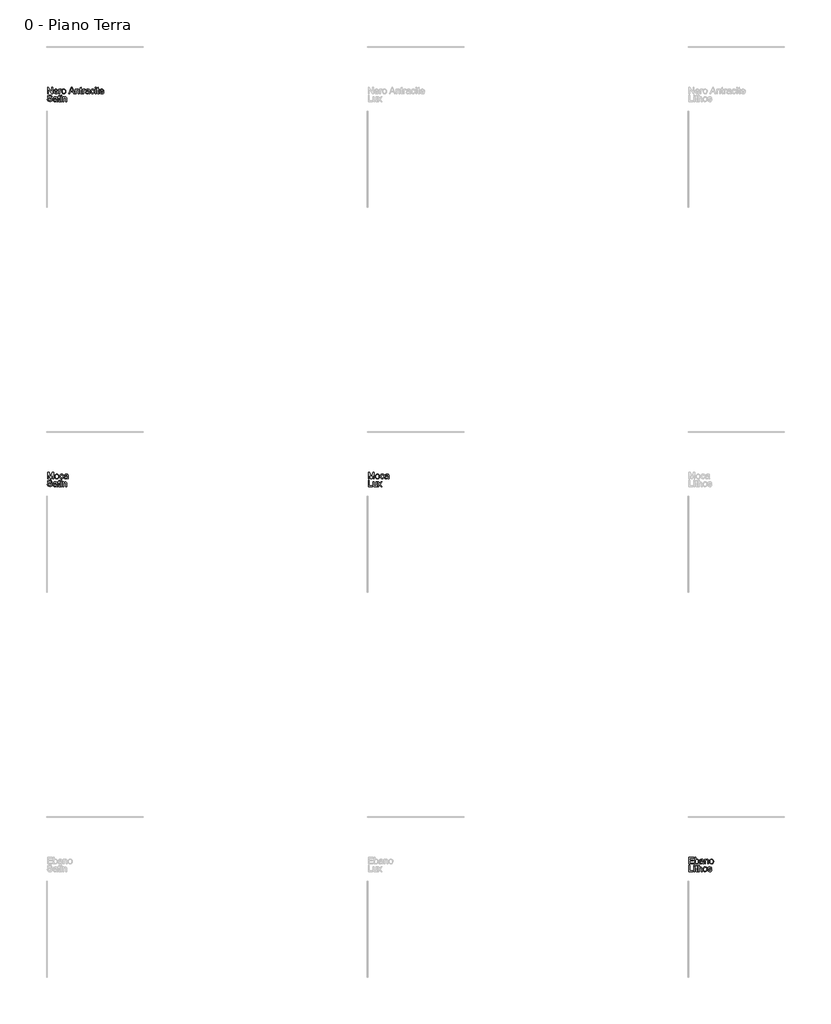
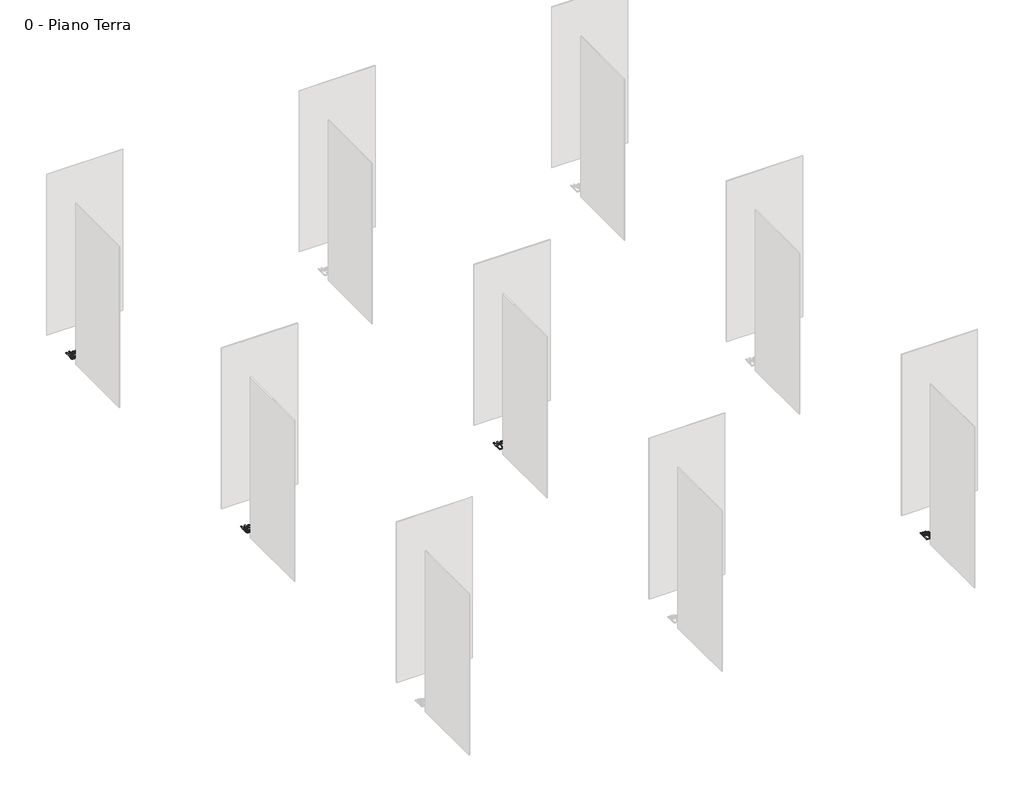
# One storey, part 25 of 35: 4 proxies.
"""IFC4 building model written with IfcOpenShell, lengths in millimetres."""

from ifc_helpers import new_model, si_unit, origin, origin_with_axes, place, context, project, spatial, polyline, outline, extrude, element, save

model = new_model("IFC4")

# Units and contexts
model_context = context("Model", 3, world=origin())
ifc_project = project(units=[si_unit("LENGTHUNIT", "METRE", prefix="MILLI")], contexts=[model_context])

# Site, building, storey
site = spatial("IfcSite", under=ifc_project)
building = spatial("IfcBuilding", under=site)
storey = spatial("IfcBuildingStorey", under=building, Name="0 - Piano Terra", Elevation=0.0)

# Proxies
placement = place(None, origin())
element("IfcBuildingElementProxy", 1, Name="Testo modello 1", ObjectType="Testo modello 1", at=placement, inside=storey, context=model_context, shape_type="SweptSolid", body=[
    extrude(outline(polyline([(2731.7292491, -24273.7592352), (2731.7292491, -24173.302925), (2745.1692046, -24173.302925), (2797.6537026, -24252.8880633), (2797.6537026, -24173.302925), (2810.2107414, -24173.302925), (2810.2107414, -24273.7592352), (2796.7707858, -24273.7592352), (2744.2862878, -24194.1495714), (2744.2862878, -24273.7592352), (2731.7292491, -24273.7592352)])), origin_with_axes(), (0.0, 0.0, 1.0), 10.0),
    extrude(outline(polyline([(2882.2665615, -24251.7844173), (2894.5783456, -24253.3540472), (2890.1423019, -24262.6308048), (2883.0636392, -24269.5653804), (2873.501773, -24273.8879938), (2861.6161188, -24275.328865), (2846.8824449, -24272.8425958), (2835.5455481, -24265.3837884), (2828.3166669, -24253.4368206), (2825.9070398, -24237.4860704), (2828.3411924, -24220.9988257), (2835.64365, -24208.6686475), (2846.8272626, -24200.9799138), (2860.9048803, -24198.4170025), (2874.5441053, -24200.9737824), (2885.4426094, -24208.644122), (2892.5887171, -24220.9497747), (2894.9707531, -24237.412494), (2894.8971767, -24240.7970084), (2838.4640786, -24240.7970084), (2840.6376481, -24250.1963934), (2845.6868284, -24257.1064435), (2852.9739576, -24261.3554805), (2861.8613735, -24262.7718262), (2874.1731576, -24260.1476013), (2882.2665615, -24251.7844173)]), holes=[polyline([(2838.4640786, -24228.2399696), (2882.4137143, -24228.2399696), (2877.3859937, -24216.8601532), (2870.065142, -24212.4455693), (2860.8558294, -24210.9740413), (2845.3925229, -24215.6706681), (2840.5272835, -24221.1613069), (2838.4640786, -24228.2399696)])]), origin_with_axes(), (0.0, 0.0, 1.0), 10.0),
    extrude(outline(polyline([(2907.5277918, -24273.7592352), (2907.5277918, -24199.9866324), (2918.5152008, -24199.9866324), (2918.5152008, -24210.9004649), (2926.3142991, -24200.8450237), (2934.1624483, -24198.4170025), (2946.768538, -24202.2920262), (2942.5746832, -24213.5492153), (2933.7455154, -24210.9740413), (2926.6453929, -24213.4511134), (2922.1204443, -24220.318244), (2920.0848306, -24234.9844729), (2920.0848306, -24273.7592352), (2907.5277918, -24273.7592352)])), origin_with_axes(), (0.0, 0.0, 1.0), 10.0),
    extrude(outline(polyline([(2951.4774275, -24236.8729338), (2954.1936229, -24219.0858393), (2962.3422091, -24206.5839828), (2972.4099131, -24200.4587476), (2984.4641798, -24198.4170025), (2997.655815, -24200.9032717), (3008.1925685, -24208.3620791), (3015.0995529, -24220.2048137), (3017.4018811, -24235.8428642), (3013.3306537, -24258.185564), (3001.4725907, -24270.8284419), (2984.4641798, -24275.328865), (2971.113129, -24272.8517929), (2960.5886383, -24265.4205766), (2953.7552302, -24253.3295217), (2951.4774275, -24236.8729338)]), holes=[polyline([(2964.0344663, -24236.8484083), (2965.4876002, -24248.2128963), (2969.8470018, -24256.3093658), (2976.4075641, -24261.1562111), (2984.4641798, -24262.7718262), (2992.4840073, -24261.1470141), (2999.0323068, -24256.2725776), (3003.3917084, -24248.0688092), (3004.8448423, -24236.4560008), (3003.3825114, -24225.4226067), (2998.9955186, -24217.4365017), (2992.438022, -24212.5896564), (2984.4641798, -24210.9740413), (2976.4075641, -24212.583525), (2969.8470018, -24217.4119762), (2965.4876002, -24225.4900517), (2964.0344663, -24236.8484083)])]), origin_with_axes(), (0.0, 0.0, 1.0), 10.0),
    extrude(outline(polyline([(3060.6402782, -24273.7592352), (3100.7394157, -24173.302925), (3111.432519, -24173.302925), (3151.5316565, -24273.7592352), (3138.2633792, -24273.7592352), (3126.7609355, -24242.3666382), (3085.3864738, -24242.3666382), (3073.9085555, -24273.7592352), (3060.6402782, -24273.7592352)]), holes=[polyline([(3089.9972614, -24229.8095995), (3122.1746733, -24229.8095995), (3113.1247762, -24205.1124549), (3106.0859674, -24185.8599638), (3099.8319734, -24202.9542138), (3089.9972614, -24229.8095995)])]), origin_with_axes(), (0.0, 0.0, 1.0), 10.0),
    extrude(outline(polyline([(3163.3774567, -24273.7592352), (3163.3774567, -24199.9866324), (3175.9344955, -24199.9866324), (3175.9344955, -24210.2873283), (3185.5362156, -24201.384584), (3198.6450774, -24198.4170025), (3210.5031403, -24200.8082355), (3218.5965442, -24207.0867549), (3222.3612033, -24216.320593), (3223.0233909, -24228.4606988), (3223.0233909, -24273.7592352), (3210.4663521, -24273.7592352), (3210.4663521, -24230.152956), (3209.0193496, -24219.0429197), (3203.9057899, -24213.1690705), (3195.2850885, -24210.9740413), (3181.6611919, -24215.90366), (3177.3661696, -24223.0467021), (3175.9344955, -24234.6165909), (3175.9344955, -24273.7592352), (3163.3774567, -24273.7592352)])), origin_with_axes(), (0.0, 0.0, 1.0), 10.0),
    extrude(outline(polyline([(3266.9730266, -24263.286861), (3268.5426564, -24274.1271171), (3259.1494028, -24275.328865), (3248.6279778, -24273.2442004), (3243.379528, -24267.7750214), (3241.8589491, -24253.5257254), (3241.8589491, -24212.5436712), (3232.44117, -24212.5436712), (3232.44117, -24199.9866324), (3241.8589491, -24199.9866324), (3241.8589491, -24182.0585165), (3254.4159878, -24174.6763511), (3254.4159878, -24199.9866324), (3266.9730266, -24199.9866324), (3266.9730266, -24212.5436712), (3254.4159878, -24212.5436712), (3254.4159878, -24253.1578434), (3255.0781754, -24259.6325665), (3257.2241537, -24261.9256976), (3261.5038476, -24262.7718262), (3266.9730266, -24263.286861)])), origin_with_axes(), (0.0, 0.0, 1.0), 10.0),
    extrude(outline(polyline([(3279.5300654, -24273.7592352), (3279.5300654, -24199.9866324), (3290.5174743, -24199.9866324), (3290.5174743, -24210.9004649), (3298.3165726, -24200.8450237), (3306.1647218, -24198.4170025), (3318.7708115, -24202.2920262), (3314.5769568, -24213.5492153), (3305.7477889, -24210.9740413), (3298.6476664, -24213.4511134), (3294.1227178, -24220.318244), (3292.0871041, -24234.9844729), (3292.0871041, -24273.7592352), (3279.5300654, -24273.7592352)])), origin_with_axes(), (0.0, 0.0, 1.0), 10.0),
    extrude(outline(polyline([(3373.7078561, -24264.3414561), (3361.5309621, -24272.8517929), (3348.0787438, -24275.328865), (3337.5849099, -24273.8389429), (3329.8440596, -24269.3691767), (3325.0707907, -24262.5817539), (3323.4797011, -24254.1388621), (3325.8831968, -24244.2060482), (3332.1985043, -24236.9955611), (3340.990884, -24232.8752828), (3351.8556656, -24230.9868218), (3373.6342797, -24226.6703398), (3373.7078561, -24223.8744366), (3370.2497654, -24214.6038103), (3356.3683514, -24210.9740413), (3343.6641599, -24213.3897997), (3337.6063697, -24221.9614502), (3325.0493309, -24220.3918204), (3330.4817217, -24208.1290872), (3341.4200797, -24200.9431256), (3357.9870322, -24198.4170025), (3373.2050841, -24200.64882), (3381.80126, -24206.252889), (3385.6517582, -24214.7754886), (3386.2648949, -24225.7628975), (3386.2648949, -24241.3856196), (3386.902557, -24263.2010219), (3389.4041546, -24273.7592352), (3376.8471158, -24273.7592352), (3373.7078561, -24264.3414561)]), holes=[polyline([(3373.7078561, -24239.2273785), (3353.4498209, -24243.0778768), (3342.646353, -24245.1134905), (3337.7535225, -24248.4244284), (3336.0367398, -24253.2559453), (3339.7768734, -24260.0494995), (3350.7520196, -24262.7718262), (3363.4562112, -24259.7674566), (3371.647717, -24252.4956558), (3373.6342797, -24242.7835712), (3373.7078561, -24239.2273785)])]), origin_with_axes(), (0.0, 0.0, 1.0), 10.0),
    extrude(outline(polyline([(3450.6197186, -24247.0755278), (3463.1767574, -24248.6451576), (3459.675747, -24259.8134419), (3453.0967907, -24268.253268), (3444.0591563, -24273.5599657), (3433.182112, -24275.328865), (3419.8249299, -24272.8609899), (3409.3801469, -24265.4573648), (3402.6387094, -24253.442952), (3400.3915635, -24237.1427139), (3404.229799, -24216.2838048), (3415.9284464, -24202.8806374), (3433.0104337, -24198.4170025), (3443.6207636, -24199.9498442), (3452.1035093, -24204.5483691), (3458.1888906, -24211.9673227), (3461.6071275, -24221.9614502), (3449.0500887, -24223.5310801), (3443.2252905, -24214.1255637), (3433.1085356, -24210.9740413), (3424.9936719, -24212.5252771), (3418.5526713, -24217.1789843), (3414.3496195, -24225.1865491), (3412.9486023, -24236.7993574), (3414.3189627, -24248.5685155), (3418.430044, -24256.6036714), (3424.7545486, -24261.2297875), (3432.7651791, -24262.7718262), (3444.5987166, -24258.921328), (3450.6197186, -24247.0755278)])), origin_with_axes(), (0.0, 0.0, 1.0), 10.0),
    extrude(outline(polyline([(3474.1641663, -24273.7592352), (3474.1641663, -24199.9866324), (3486.721205, -24199.9866324), (3486.721205, -24273.7592352), (3474.1641663, -24273.7592352)])), origin_with_axes(), (0.0, 0.0, 1.0), 10.0),
    extrude(outline(polyline([(3474.1641663, -24185.8599638), (3474.1641663, -24173.302925), (3486.721205, -24173.302925), (3486.721205, -24185.8599638), (3474.1641663, -24185.8599638)])), origin_with_axes(), (0.0, 0.0, 1.0), 10.0),
    extrude(outline(polyline([(3532.2404706, -24263.286861), (3533.8101004, -24274.1271171), (3524.4168468, -24275.328865), (3513.8954218, -24273.2442004), (3508.646972, -24267.7750214), (3507.126393, -24253.5257254), (3507.126393, -24212.5436712), (3497.708614, -24212.5436712), (3497.708614, -24199.9866324), (3507.126393, -24199.9866324), (3507.126393, -24182.0585165), (3519.6834318, -24174.6763511), (3519.6834318, -24199.9866324), (3532.2404706, -24199.9866324), (3532.2404706, -24212.5436712), (3519.6834318, -24212.5436712), (3519.6834318, -24253.1578434), (3520.3456194, -24259.6325665), (3522.4915977, -24261.9256976), (3526.7712916, -24262.7718262), (3532.2404706, -24263.286861)])), origin_with_axes(), (0.0, 0.0, 1.0), 10.0),
    extrude(outline(polyline([(3596.4481415, -24251.7844173), (3608.7599256, -24253.3540472), (3604.3238819, -24262.6308048), (3597.2452191, -24269.5653804), (3587.6833529, -24273.8879938), (3575.7976988, -24275.328865), (3561.0640249, -24272.8425958), (3549.7271281, -24265.3837884), (3542.4982469, -24253.4368206), (3540.0886198, -24237.4860704), (3542.5227723, -24220.9988257), (3549.8252299, -24208.6686475), (3561.0088426, -24200.9799138), (3575.0864603, -24198.4170025), (3588.7256853, -24200.9737824), (3599.6241894, -24208.644122), (3606.7702971, -24220.9497747), (3609.152333, -24237.412494), (3609.0787566, -24240.7970084), (3552.6456586, -24240.7970084), (3554.819228, -24250.1963934), (3559.8684084, -24257.1064435), (3567.1555376, -24261.3554805), (3576.0429535, -24262.7718262), (3588.3547376, -24260.1476013), (3596.4481415, -24251.7844173)]), holes=[polyline([(3552.6456586, -24228.2399696), (3596.5952943, -24228.2399696), (3591.5675737, -24216.8601532), (3584.246722, -24212.4455693), (3575.0374094, -24210.9740413), (3559.5741028, -24215.6706681), (3554.7088634, -24221.1613069), (3552.6456586, -24228.2399696)])]), origin_with_axes(), (0.0, 0.0, 1.0), 10.0),
    extrude(outline(polyline([(2727.0203595, -24361.2021964), (2739.5773983, -24361.2021964), (2743.6241003, -24373.7714979), (2753.5078632, -24381.717749), (2768.5664995, -24384.7466441), (2781.687624, -24382.453513), (2790.1611726, -24376.1504681), (2792.9448131, -24367.7259704), (2790.8601484, -24359.8900839), (2782.3252861, -24354.187913), (2764.041551, -24349.3931843), (2744.3598642, -24343.2005041), (2733.6790237, -24333.8563014), (2730.1596192, -24321.372839), (2734.5128895, -24307.1603313), (2747.2293438, -24297.1294156), (2765.8441728, -24293.708113), (2785.7098005, -24297.2888311), (2798.9535523, -24307.8102561), (2803.932222, -24323.5310801), (2791.3751832, -24323.5310801), (2789.0697894, -24316.0385501), (2784.262798, -24310.6306848), (2766.3346821, -24306.2651518), (2748.3575153, -24310.5816338), (2742.716658, -24321.004957), (2746.714309, -24329.7114976), (2767.2175989, -24336.725781), (2789.4376714, -24343.0288258), (2801.59004, -24353.2068944), (2805.5018518, -24367.4071394), (2801.0014288, -24382.4289875), (2788.0519825, -24393.391871), (2769.0570089, -24397.3036828), (2746.6284699, -24393.0853026), (2732.4404876, -24380.3811111), (2727.0203595, -24361.2021964)])), origin_with_axes(), (0.0, 0.0, 1.0), 10.0),
    extrude(outline(polyline([(2869.8566755, -24386.3162739), (2857.6797815, -24394.8266107), (2844.2275632, -24397.3036828), (2833.7337293, -24395.8137608), (2825.992879, -24391.3439945), (2821.2196101, -24384.5565717), (2819.6285205, -24376.1136799), (2822.0320162, -24366.1808661), (2828.3473237, -24358.9703789), (2837.1397034, -24354.8501006), (2848.004485, -24352.9616397), (2869.7830991, -24348.6451576), (2869.8566755, -24345.8492545), (2866.3985848, -24336.5786282), (2852.5171708, -24332.9488592), (2839.8129793, -24335.3646176), (2833.7551891, -24343.9362681), (2821.1981503, -24342.3666382), (2826.6305411, -24330.1039051), (2837.5688991, -24322.9179434), (2854.1358516, -24320.3918204), (2869.3539035, -24322.6236378), (2877.9500794, -24328.2277069), (2881.8005776, -24336.7503064), (2882.4137143, -24347.7377154), (2882.4137143, -24363.3604374), (2883.0513764, -24385.1758397), (2885.552974, -24395.734053), (2872.9959352, -24395.734053), (2869.8566755, -24386.3162739)]), holes=[polyline([(2869.8566755, -24361.2021964), (2849.5986403, -24365.0526946), (2838.7951724, -24367.0883083), (2833.9023419, -24370.3992463), (2832.1855592, -24375.2307631), (2835.9256928, -24382.0243173), (2846.900839, -24384.7466441), (2859.6050306, -24381.7422744), (2867.7965364, -24374.4704737), (2869.7830991, -24364.758389), (2869.8566755, -24361.2021964)])]), origin_with_axes(), (0.0, 0.0, 1.0), 10.0),
    extrude(outline(polyline([(2926.36335, -24385.2616789), (2927.9329798, -24396.101935), (2918.5397262, -24397.3036828), (2908.0183012, -24395.2190182), (2902.7698514, -24389.7498392), (2901.2492725, -24375.5005433), (2901.2492725, -24334.518489), (2891.8314934, -24334.518489), (2891.8314934, -24321.9614502), (2901.2492725, -24321.9614502), (2901.2492725, -24304.0333343), (2913.8063112, -24296.651169), (2913.8063112, -24321.9614502), (2926.36335, -24321.9614502), (2926.36335, -24334.518489), (2913.8063112, -24334.518489), (2913.8063112, -24375.1326613), (2914.4684988, -24381.6073844), (2916.6144771, -24383.9005155), (2920.894171, -24384.7466441), (2926.36335, -24385.2616789)])), origin_with_axes(), (0.0, 0.0, 1.0), 10.0),
    extrude(outline(polyline([(2938.9203888, -24395.734053), (2938.9203888, -24321.9614502), (2951.4774275, -24321.9614502), (2951.4774275, -24395.734053), (2938.9203888, -24395.734053)])), origin_with_axes(), (0.0, 0.0, 1.0), 10.0),
    extrude(outline(polyline([(2938.9203888, -24307.8347816), (2938.9203888, -24295.2777428), (2951.4774275, -24295.2777428), (2951.4774275, -24307.8347816), (2938.9203888, -24307.8347816)])), origin_with_axes(), (0.0, 0.0, 1.0), 10.0),
    extrude(outline(polyline([(2970.3129857, -24395.734053), (2970.3129857, -24321.9614502), (2982.8700244, -24321.9614502), (2982.8700244, -24332.2621461), (2992.4717445, -24323.3594018), (3005.5806063, -24320.3918204), (3017.4386693, -24322.7830534), (3025.5320732, -24329.0615727), (3029.2967322, -24338.2954108), (3029.9589198, -24350.4355167), (3029.9589198, -24395.734053), (3017.4018811, -24395.734053), (3017.4018811, -24352.1277738), (3015.9548785, -24341.0177376), (3010.8413188, -24335.1438884), (3002.2206174, -24332.9488592), (2988.5967208, -24337.8784779), (2984.3016985, -24345.02152), (2982.8700244, -24356.5914087), (2982.8700244, -24395.734053), (2970.3129857, -24395.734053)])), origin_with_axes(), (0.0, 0.0, 1.0), 10.0),
])
element("IfcBuildingElementProxy", 2, Name="Testo modello 1", ObjectType="Testo modello 1", at=placement, inside=storey, context=model_context, shape_type="SweptSolid", body=[
    extrude(outline(polyline([(2731.7292491, -30273.7592352), (2731.7292491, -30173.302925), (2753.3361849, -30173.302925), (2773.8885257, -30244.1079463), (2778.0333295, -30258.8968025), (2782.5214899, -30242.881673), (2802.7304741, -30173.302925), (2824.33741, -30173.302925), (2824.33741, -30273.7592352), (2811.7803712, -30273.7592352), (2811.7803712, -30185.8599638), (2786.5436664, -30273.7592352), (2769.5229927, -30273.7592352), (2744.2862878, -30185.8599638), (2744.2862878, -30273.7592352), (2731.7292491, -30273.7592352)])), origin_with_axes(), (0.0, 0.0, 1.0), 10.0),
    extrude(outline(polyline([(2841.6033383, -30236.8729338), (2844.3195337, -30219.0858393), (2852.4681199, -30206.5839828), (2862.5358238, -30200.4587476), (2874.5900905, -30198.4170025), (2887.7817257, -30200.9032717), (2898.3184792, -30208.3620791), (2905.2254637, -30220.2048137), (2907.5277918, -30235.8428642), (2903.4565644, -30258.185564), (2891.5985014, -30270.8284419), (2874.5900905, -30275.328865), (2861.2390398, -30272.8517929), (2850.714549, -30265.4205766), (2843.881141, -30253.3295217), (2841.6033383, -30236.8729338)]), holes=[polyline([(2854.1603771, -30236.8484083), (2855.613511, -30248.2128963), (2859.9729126, -30256.3093658), (2866.5334748, -30261.1562111), (2874.5900905, -30262.7718262), (2882.609918, -30261.1470141), (2889.1582175, -30256.2725776), (2893.5176192, -30248.0688092), (2894.9707531, -30236.4560008), (2893.5084221, -30225.4226067), (2889.1214293, -30217.4365017), (2882.5639328, -30212.5896564), (2874.5900905, -30210.9740413), (2866.5334748, -30212.583525), (2859.9729126, -30217.4119762), (2855.613511, -30225.4900517), (2854.1603771, -30236.8484083)])]), origin_with_axes(), (0.0, 0.0, 1.0), 10.0),
    extrude(outline(polyline([(2968.7433558, -30247.0755278), (2981.3003946, -30248.6451576), (2977.7993843, -30259.8134419), (2971.2204279, -30268.253268), (2962.1827936, -30273.5599657), (2951.3057493, -30275.328865), (2937.9485672, -30272.8609899), (2927.5037842, -30265.4573648), (2920.7623466, -30253.442952), (2918.5152008, -30237.1427139), (2922.3534362, -30216.2838048), (2934.0520837, -30202.8806374), (2951.134071, -30198.4170025), (2961.7444009, -30199.9498442), (2970.2271465, -30204.5483691), (2976.3125279, -30211.9673227), (2979.7307648, -30221.9614502), (2967.173726, -30223.5310801), (2961.3489277, -30214.1255637), (2951.2321729, -30210.9740413), (2943.1173092, -30212.5252771), (2936.6763086, -30217.1789843), (2932.4732568, -30225.1865491), (2931.0722395, -30236.7993574), (2932.4426, -30248.5685155), (2936.5536813, -30256.6036714), (2942.8781859, -30261.2297875), (2950.8888163, -30262.7718262), (2962.7223538, -30258.921328), (2968.7433558, -30247.0755278)])), origin_with_axes(), (0.0, 0.0, 1.0), 10.0),
    extrude(outline(polyline([(3039.3766989, -30264.3414561), (3027.1998049, -30272.8517929), (3013.7475866, -30275.328865), (3003.2537527, -30273.8389429), (2995.5129024, -30269.3691767), (2990.7396335, -30262.5817539), (2989.1485438, -30254.1388621), (2991.5520395, -30244.2060482), (2997.8673471, -30236.9955611), (3006.6597268, -30232.8752828), (3017.5245084, -30230.9868218), (3039.3031225, -30226.6703398), (3039.3766989, -30223.8744366), (3035.9186082, -30214.6038103), (3022.0371942, -30210.9740413), (3009.3330026, -30213.3897997), (3003.2752124, -30221.9614502), (2990.7181737, -30220.3918204), (2996.1505645, -30208.1290872), (3007.0889225, -30200.9431256), (3023.655875, -30198.4170025), (3038.8739268, -30200.64882), (3047.4701028, -30206.252889), (3051.320601, -30214.7754886), (3051.9337377, -30225.7628975), (3051.9337377, -30241.3856196), (3052.5713998, -30263.2010219), (3055.0729974, -30273.7592352), (3042.5159586, -30273.7592352), (3039.3766989, -30264.3414561)]), holes=[polyline([(3039.3766989, -30239.2273785), (3019.1186637, -30243.0778768), (3008.3151958, -30245.1134905), (3003.4223652, -30248.4244284), (3001.7055826, -30253.2559453), (3005.4457162, -30260.0494995), (3016.4208624, -30262.7718262), (3029.125054, -30259.7674566), (3037.3165597, -30252.4956558), (3039.3031225, -30242.7835712), (3039.3766989, -30239.2273785)])]), origin_with_axes(), (0.0, 0.0, 1.0), 10.0),
    extrude(outline(polyline([(2727.0203595, -30361.2021964), (2739.5773983, -30361.2021964), (2743.6241003, -30373.7714979), (2753.5078632, -30381.717749), (2768.5664995, -30384.7466441), (2781.687624, -30382.453513), (2790.1611726, -30376.1504681), (2792.9448131, -30367.7259704), (2790.8601484, -30359.8900839), (2782.3252861, -30354.187913), (2764.041551, -30349.3931843), (2744.3598642, -30343.2005041), (2733.6790237, -30333.8563014), (2730.1596192, -30321.372839), (2734.5128895, -30307.1603313), (2747.2293438, -30297.1294156), (2765.8441728, -30293.708113), (2785.7098005, -30297.2888311), (2798.9535523, -30307.8102561), (2803.932222, -30323.5310801), (2791.3751832, -30323.5310801), (2789.0697894, -30316.0385501), (2784.262798, -30310.6306848), (2766.3346821, -30306.2651518), (2748.3575153, -30310.5816338), (2742.716658, -30321.004957), (2746.714309, -30329.7114976), (2767.2175989, -30336.725781), (2789.4376714, -30343.0288258), (2801.59004, -30353.2068944), (2805.5018518, -30367.4071394), (2801.0014288, -30382.4289875), (2788.0519825, -30393.391871), (2769.0570089, -30397.3036828), (2746.6284699, -30393.0853026), (2732.4404876, -30380.3811111), (2727.0203595, -30361.2021964)])), origin_with_axes(), (0.0, 0.0, 1.0), 10.0),
    extrude(outline(polyline([(2869.8566755, -30386.3162739), (2857.6797815, -30394.8266107), (2844.2275632, -30397.3036828), (2833.7337293, -30395.8137608), (2825.992879, -30391.3439945), (2821.2196101, -30384.5565717), (2819.6285205, -30376.1136799), (2822.0320162, -30366.1808661), (2828.3473237, -30358.9703789), (2837.1397034, -30354.8501006), (2848.004485, -30352.9616397), (2869.7830991, -30348.6451576), (2869.8566755, -30345.8492545), (2866.3985848, -30336.5786282), (2852.5171708, -30332.9488592), (2839.8129793, -30335.3646176), (2833.7551891, -30343.9362681), (2821.1981503, -30342.3666382), (2826.6305411, -30330.1039051), (2837.5688991, -30322.9179434), (2854.1358516, -30320.3918204), (2869.3539035, -30322.6236378), (2877.9500794, -30328.2277069), (2881.8005776, -30336.7503064), (2882.4137143, -30347.7377154), (2882.4137143, -30363.3604374), (2883.0513764, -30385.1758397), (2885.552974, -30395.734053), (2872.9959352, -30395.734053), (2869.8566755, -30386.3162739)]), holes=[polyline([(2869.8566755, -30361.2021964), (2849.5986403, -30365.0526946), (2838.7951724, -30367.0883083), (2833.9023419, -30370.3992463), (2832.1855592, -30375.2307631), (2835.9256928, -30382.0243173), (2846.900839, -30384.7466441), (2859.6050306, -30381.7422744), (2867.7965364, -30374.4704737), (2869.7830991, -30364.758389), (2869.8566755, -30361.2021964)])]), origin_with_axes(), (0.0, 0.0, 1.0), 10.0),
    extrude(outline(polyline([(2926.36335, -30385.2616789), (2927.9329798, -30396.101935), (2918.5397262, -30397.3036828), (2908.0183012, -30395.2190182), (2902.7698514, -30389.7498392), (2901.2492725, -30375.5005433), (2901.2492725, -30334.518489), (2891.8314934, -30334.518489), (2891.8314934, -30321.9614502), (2901.2492725, -30321.9614502), (2901.2492725, -30304.0333343), (2913.8063112, -30296.651169), (2913.8063112, -30321.9614502), (2926.36335, -30321.9614502), (2926.36335, -30334.518489), (2913.8063112, -30334.518489), (2913.8063112, -30375.1326613), (2914.4684988, -30381.6073844), (2916.6144771, -30383.9005155), (2920.894171, -30384.7466441), (2926.36335, -30385.2616789)])), origin_with_axes(), (0.0, 0.0, 1.0), 10.0),
    extrude(outline(polyline([(2938.9203888, -30307.8347816), (2938.9203888, -30295.2777428), (2951.4774275, -30295.2777428), (2951.4774275, -30307.8347816), (2938.9203888, -30307.8347816)])), origin_with_axes(), (0.0, 0.0, 1.0), 10.0),
    extrude(outline(polyline([(2938.9203888, -30395.734053), (2938.9203888, -30321.9614502), (2951.4774275, -30321.9614502), (2951.4774275, -30395.734053), (2938.9203888, -30395.734053)])), origin_with_axes(), (0.0, 0.0, 1.0), 10.0),
    extrude(outline(polyline([(2970.3129857, -30395.734053), (2970.3129857, -30321.9614502), (2982.8700244, -30321.9614502), (2982.8700244, -30332.2621461), (2992.4717445, -30323.3594018), (3005.5806063, -30320.3918204), (3017.4386693, -30322.7830534), (3025.5320732, -30329.0615727), (3029.2967322, -30338.2954108), (3029.9589198, -30350.4355167), (3029.9589198, -30395.734053), (3017.4018811, -30395.734053), (3017.4018811, -30352.1277738), (3015.9548785, -30341.0177376), (3010.8413188, -30335.1438884), (3002.2206174, -30332.9488592), (2988.5967208, -30337.8784779), (2984.3016985, -30345.02152), (2982.8700244, -30356.5914087), (2982.8700244, -30395.734053), (2970.3129857, -30395.734053)])), origin_with_axes(), (0.0, 0.0, 1.0), 10.0),
])
element("IfcBuildingElementProxy", 3, Name="Testo modello 1", ObjectType="Testo modello 1", at=placement, inside=storey, context=model_context, shape_type="SweptSolid", body=[
    extrude(outline(polyline([(7731.7292491, -30273.7592352), (7731.7292491, -30173.302925), (7753.3361849, -30173.302925), (7773.8885257, -30244.1079463), (7778.0333295, -30258.8968025), (7782.5214899, -30242.881673), (7802.7304741, -30173.302925), (7824.33741, -30173.302925), (7824.33741, -30273.7592352), (7811.7803712, -30273.7592352), (7811.7803712, -30185.8599638), (7786.5436664, -30273.7592352), (7769.5229927, -30273.7592352), (7744.2862878, -30185.8599638), (7744.2862878, -30273.7592352), (7731.7292491, -30273.7592352)])), origin_with_axes(), (0.0, 0.0, 1.0), 10.0),
    extrude(outline(polyline([(7841.6033383, -30236.8729338), (7844.3195337, -30219.0858393), (7852.4681199, -30206.5839828), (7862.5358238, -30200.4587476), (7874.5900905, -30198.4170025), (7887.7817257, -30200.9032717), (7898.3184792, -30208.3620791), (7905.2254637, -30220.2048137), (7907.5277918, -30235.8428642), (7903.4565644, -30258.185564), (7891.5985014, -30270.8284419), (7874.5900905, -30275.328865), (7861.2390398, -30272.8517929), (7850.714549, -30265.4205766), (7843.881141, -30253.3295217), (7841.6033383, -30236.8729338)]), holes=[polyline([(7854.1603771, -30236.8484083), (7855.613511, -30248.2128963), (7859.9729126, -30256.3093658), (7866.5334748, -30261.1562111), (7874.5900905, -30262.7718262), (7882.609918, -30261.1470141), (7889.1582175, -30256.2725776), (7893.5176192, -30248.0688092), (7894.9707531, -30236.4560008), (7893.5084221, -30225.4226067), (7889.1214293, -30217.4365017), (7882.5639328, -30212.5896564), (7874.5900905, -30210.9740413), (7866.5334748, -30212.583525), (7859.9729126, -30217.4119762), (7855.613511, -30225.4900517), (7854.1603771, -30236.8484083)])]), origin_with_axes(), (0.0, 0.0, 1.0), 10.0),
    extrude(outline(polyline([(7968.7433558, -30247.0755278), (7981.3003946, -30248.6451576), (7977.7993843, -30259.8134419), (7971.2204279, -30268.253268), (7962.1827936, -30273.5599657), (7951.3057493, -30275.328865), (7937.9485672, -30272.8609899), (7927.5037842, -30265.4573648), (7920.7623466, -30253.442952), (7918.5152008, -30237.1427139), (7922.3534362, -30216.2838048), (7934.0520837, -30202.8806374), (7951.134071, -30198.4170025), (7961.7444009, -30199.9498442), (7970.2271465, -30204.5483691), (7976.3125279, -30211.9673227), (7979.7307648, -30221.9614502), (7967.173726, -30223.5310801), (7961.3489277, -30214.1255637), (7951.2321729, -30210.9740413), (7943.1173092, -30212.5252771), (7936.6763086, -30217.1789843), (7932.4732568, -30225.1865491), (7931.0722395, -30236.7993574), (7932.4426, -30248.5685155), (7936.5536813, -30256.6036714), (7942.8781859, -30261.2297875), (7950.8888163, -30262.7718262), (7962.7223538, -30258.921328), (7968.7433558, -30247.0755278)])), origin_with_axes(), (0.0, 0.0, 1.0), 10.0),
    extrude(outline(polyline([(8039.3766989, -30264.3414561), (8027.1998049, -30272.8517929), (8013.7475866, -30275.328865), (8003.2537527, -30273.8389429), (7995.5129024, -30269.3691767), (7990.7396335, -30262.5817539), (7989.1485438, -30254.1388621), (7991.5520395, -30244.2060482), (7997.8673471, -30236.9955611), (8006.6597268, -30232.8752828), (8017.5245084, -30230.9868218), (8039.3031225, -30226.6703398), (8039.3766989, -30223.8744366), (8035.9186082, -30214.6038103), (8022.0371942, -30210.9740413), (8009.3330026, -30213.3897997), (8003.2752124, -30221.9614502), (7990.7181737, -30220.3918204), (7996.1505645, -30208.1290872), (8007.0889225, -30200.9431256), (8023.655875, -30198.4170025), (8038.8739268, -30200.64882), (8047.4701028, -30206.252889), (8051.320601, -30214.7754886), (8051.9337377, -30225.7628975), (8051.9337377, -30241.3856196), (8052.5713998, -30263.2010219), (8055.0729974, -30273.7592352), (8042.5159586, -30273.7592352), (8039.3766989, -30264.3414561)]), holes=[polyline([(8039.3766989, -30239.2273785), (8019.1186637, -30243.0778768), (8008.3151958, -30245.1134905), (8003.4223652, -30248.4244284), (8001.7055826, -30253.2559453), (8005.4457162, -30260.0494995), (8016.4208624, -30262.7718262), (8029.125054, -30259.7674566), (8037.3165597, -30252.4956558), (8039.3031225, -30242.7835712), (8039.3766989, -30239.2273785)])]), origin_with_axes(), (0.0, 0.0, 1.0), 10.0),
    extrude(outline(polyline([(7731.7292491, -30395.734053), (7731.7292491, -30295.2777428), (7744.2862878, -30295.2777428), (7744.2862878, -30383.1770142), (7794.5144429, -30383.1770142), (7794.5144429, -30395.734053), (7731.7292491, -30395.734053)])), origin_with_axes(), (0.0, 0.0, 1.0), 10.0),
    extrude(outline(polyline([(7854.1603771, -30395.734053), (7854.1603771, -30383.0543869), (7844.3256651, -30393.7413589), (7831.4988462, -30397.3036828), (7819.6898341, -30394.8020853), (7811.5473793, -30388.5235659), (7807.8072457, -30379.2774651), (7807.0714817, -30367.6033431), (7807.0714817, -30321.9614502), (7819.6285205, -30321.9614502), (7819.6285205, -30361.6927057), (7820.3888099, -30374.4949991), (7825.3552168, -30382.0120546), (7834.7116823, -30384.7466441), (7845.1963191, -30381.9507409), (7852.1247634, -30374.3355836), (7854.1603771, -30360.3438051), (7854.1603771, -30321.9614502), (7866.7174158, -30321.9614502), (7866.7174158, -30395.734053), (7854.1603771, -30395.734053)])), origin_with_axes(), (0.0, 0.0, 1.0), 10.0),
    extrude(outline(polyline([(7876.1351949, -30395.734053), (7902.9660551, -30358.6515479), (7877.7048248, -30321.9614502), (7892.812512, -30321.9614502), (7905.0016688, -30339.619786), (7910.691577, -30347.9584446), (7915.6211957, -30341.1403649), (7929.5026097, -30321.9614502), (7944.610297, -30321.9614502), (7918.0737424, -30358.6515479), (7943.6292783, -30395.734053), (7928.521591, -30395.734053), (7913.1441236, -30373.4404041), (7910.323695, -30369.3691767), (7891.2428822, -30395.734053), (7876.1351949, -30395.734053)])), origin_with_axes(), (0.0, 0.0, 1.0), 10.0),
])
element("IfcBuildingElementProxy", 4, Name="Testo modello 1", ObjectType="Testo modello 1", at=placement, inside=storey, context=model_context, shape_type="SweptSolid", body=[
    extrude(outline(polyline([(12731.7292491, -36273.7592352), (12731.7292491, -36173.302925), (12803.932222, -36173.302925), (12803.932222, -36185.8599638), (12744.2862878, -36185.8599638), (12744.2862878, -36215.6829308), (12800.7929623, -36215.6829308), (12800.7929623, -36228.2399696), (12744.2862878, -36228.2399696), (12744.2862878, -36261.2021964), (12805.5018518, -36261.2021964), (12805.5018518, -36273.7592352), (12731.7292491, -36273.7592352)])), origin_with_axes(), (0.0, 0.0, 1.0), 10.0),
    extrude(outline(polyline([(12835.3248189, -36273.7592352), (12822.7677801, -36273.7592352), (12822.7677801, -36173.302925), (12835.3248189, -36173.302925), (12835.3248189, -36210.5571084), (12844.1171986, -36201.452029), (12855.0432939, -36198.4170025), (12867.6248581, -36201.151592), (12877.3859937, -36208.8403257), (12883.3824702, -36220.7964906), (12885.552974, -36235.7692878), (12883.3058281, -36252.532444), (12876.5643906, -36265.0036437), (12866.6714306, -36272.7475597), (12854.9697175, -36275.328865), (12843.8044989, -36271.9995329), (12835.3248189, -36262.0115368), (12835.3248189, -36273.7592352)]), holes=[polyline([(12835.3248189, -36236.357899), (12838.7583842, -36253.9181329), (12845.3373406, -36260.5584029), (12853.8905969, -36262.7718262), (12861.1378722, -36261.1408827), (12867.3305525, -36256.2480522), (12871.5795895, -36248.1239915), (12872.9959352, -36236.7993574), (12871.6378375, -36225.3091764), (12867.5635444, -36217.2770862), (12861.5640022, -36212.5498025), (12854.4301572, -36210.9740413), (12847.1828819, -36212.6049848), (12840.9902016, -36217.4978154), (12836.7411646, -36225.4747233), (12835.3248189, -36236.357899)])]), origin_with_axes(), (0.0, 0.0, 1.0), 10.0),
    extrude(outline(polyline([(12946.768538, -36264.3414561), (12934.5916439, -36272.8517929), (12921.1394257, -36275.328865), (12910.6455917, -36273.8389429), (12902.9047414, -36269.3691767), (12898.1314725, -36262.5817539), (12896.5403829, -36254.1388621), (12898.9438786, -36244.2060482), (12905.2591862, -36236.9955611), (12914.0515659, -36232.8752828), (12924.9163475, -36230.9868218), (12946.6949616, -36226.6703398), (12946.768538, -36223.8744366), (12943.3104472, -36214.6038103), (12929.4290333, -36210.9740413), (12916.7248417, -36213.3897997), (12910.6670515, -36221.9614502), (12898.1100128, -36220.3918204), (12903.5424036, -36208.1290872), (12914.4807615, -36200.9431256), (12931.0477141, -36198.4170025), (12946.2657659, -36200.64882), (12954.8619419, -36206.252889), (12958.7124401, -36214.7754886), (12959.3255768, -36225.7628975), (12959.3255768, -36241.3856196), (12959.9632389, -36263.2010219), (12962.4648365, -36273.7592352), (12949.9077977, -36273.7592352), (12946.768538, -36264.3414561)]), holes=[polyline([(12946.768538, -36239.2273785), (12926.5105028, -36243.0778768), (12915.7070349, -36245.1134905), (12910.8142043, -36248.4244284), (12909.0974217, -36253.2559453), (12912.8375553, -36260.0494995), (12923.8127015, -36262.7718262), (12936.5168931, -36259.7674566), (12944.7083988, -36252.4956558), (12946.6949616, -36242.7835712), (12946.768538, -36239.2273785)])]), origin_with_axes(), (0.0, 0.0, 1.0), 10.0),
    extrude(outline(polyline([(12976.5915051, -36273.7592352), (12976.5915051, -36199.9866324), (12989.1485438, -36199.9866324), (12989.1485438, -36210.2873283), (12998.7502639, -36201.384584), (13011.8591257, -36198.4170025), (13023.7171886, -36200.8082355), (13031.8105925, -36207.0867549), (13035.5752516, -36216.320593), (13036.2374392, -36228.4606988), (13036.2374392, -36273.7592352), (13023.6804004, -36273.7592352), (13023.6804004, -36230.152956), (13022.2333979, -36219.0429197), (13017.1198382, -36213.1690705), (13008.4991368, -36210.9740413), (12994.8752402, -36215.90366), (12990.5802179, -36223.0467021), (12989.1485438, -36234.6165909), (12989.1485438, -36273.7592352), (12976.5915051, -36273.7592352)])), origin_with_axes(), (0.0, 0.0, 1.0), 10.0),
    extrude(outline(polyline([(13050.3641078, -36236.8729338), (13053.0803032, -36219.0858393), (13061.2288894, -36206.5839828), (13071.2965934, -36200.4587476), (13083.3508601, -36198.4170025), (13096.5424953, -36200.9032717), (13107.0792488, -36208.3620791), (13113.9862332, -36220.2048137), (13116.2885614, -36235.8428642), (13112.217334, -36258.185564), (13100.359271, -36270.8284419), (13083.3508601, -36275.328865), (13069.9998093, -36272.8517929), (13059.4753186, -36265.4205766), (13052.6419105, -36253.3295217), (13050.3641078, -36236.8729338)]), holes=[polyline([(13062.9211466, -36236.8484083), (13064.3742805, -36248.2128963), (13068.7336821, -36256.3093658), (13075.2942444, -36261.1562111), (13083.3508601, -36262.7718262), (13091.3706876, -36261.1470141), (13097.9189871, -36256.2725776), (13102.2783887, -36248.0688092), (13103.7315226, -36236.4560008), (13102.2691917, -36225.4226067), (13097.8821989, -36217.4365017), (13091.3247023, -36212.5896564), (13083.3508601, -36210.9740413), (13075.2942444, -36212.583525), (13068.7336821, -36217.4119762), (13064.3742805, -36225.4900517), (13062.9211466, -36236.8484083)])]), origin_with_axes(), (0.0, 0.0, 1.0), 10.0),
    extrude(outline(polyline([(12731.7292491, -36395.734053), (12731.7292491, -36295.2777428), (12744.2862878, -36295.2777428), (12744.2862878, -36383.1770142), (12794.5144429, -36383.1770142), (12794.5144429, -36395.734053), (12731.7292491, -36395.734053)])), origin_with_axes(), (0.0, 0.0, 1.0), 10.0),
    extrude(outline(polyline([(12807.0714817, -36307.8347816), (12807.0714817, -36295.2777428), (12819.6285205, -36295.2777428), (12819.6285205, -36307.8347816), (12807.0714817, -36307.8347816)])), origin_with_axes(), (0.0, 0.0, 1.0), 10.0),
    extrude(outline(polyline([(12807.0714817, -36395.734053), (12807.0714817, -36321.9614502), (12819.6285205, -36321.9614502), (12819.6285205, -36395.734053), (12807.0714817, -36395.734053)])), origin_with_axes(), (0.0, 0.0, 1.0), 10.0),
    extrude(outline(polyline([(12865.147786, -36385.2616789), (12866.7174158, -36396.101935), (12857.3241622, -36397.3036828), (12846.8027372, -36395.2190182), (12841.5542874, -36389.7498392), (12840.0337085, -36375.5005433), (12840.0337085, -36334.518489), (12830.6159294, -36334.518489), (12830.6159294, -36321.9614502), (12840.0337085, -36321.9614502), (12840.0337085, -36304.0333343), (12852.5907472, -36296.651169), (12852.5907472, -36321.9614502), (12865.147786, -36321.9614502), (12865.147786, -36334.518489), (12852.5907472, -36334.518489), (12852.5907472, -36375.1326613), (12853.2529348, -36381.6073844), (12855.3989131, -36383.9005155), (12859.678607, -36384.7466441), (12865.147786, -36385.2616789)])), origin_with_axes(), (0.0, 0.0, 1.0), 10.0),
    extrude(outline(polyline([(12877.7048248, -36395.734053), (12877.7048248, -36295.2777428), (12890.2618635, -36295.2777428), (12890.2618635, -36332.2130952), (12900.053656, -36323.3471391), (12912.114054, -36320.3918204), (12926.2161972, -36323.6169192), (12934.7755849, -36332.5319262), (12937.3507589, -36349.0375651), (12937.3507589, -36395.734053), (12924.7937201, -36395.734053), (12924.7937201, -36350.3374148), (12920.7960691, -36337.093663), (12909.4653037, -36332.9488592), (12899.1768705, -36335.7447623), (12892.30974, -36343.3231314), (12890.2618635, -36356.5423578), (12890.2618635, -36395.734053), (12877.7048248, -36395.734053)])), origin_with_axes(), (0.0, 0.0, 1.0), 10.0),
    extrude(outline(polyline([(12951.4774275, -36358.8477516), (12954.1936229, -36341.0606571), (12962.3422091, -36328.5588007), (12972.4099131, -36322.4335655), (12984.4641798, -36320.3918204), (12997.655815, -36322.8780895), (13008.1925685, -36330.336897), (13015.0995529, -36342.1796315), (13017.4018811, -36357.817682), (13013.3306537, -36380.1603819), (13001.4725907, -36392.8032598), (12984.4641798, -36397.3036828), (12971.113129, -36394.8266107), (12960.5886383, -36387.3953944), (12953.7552302, -36375.3043395), (12951.4774275, -36358.8477516)]), holes=[polyline([(12964.0344663, -36358.8232261), (12965.4876002, -36370.1877141), (12969.8470018, -36378.2841837), (12976.4075641, -36383.131029), (12984.4641798, -36384.7466441), (12992.4840073, -36383.1218319), (12999.0323068, -36378.2473955), (13003.3917084, -36370.043627), (13004.8448423, -36358.4308187), (13003.3825114, -36347.3974245), (12998.9955186, -36339.4113195), (12992.438022, -36334.5644742), (12984.4641798, -36332.9488592), (12976.4075641, -36334.5583429), (12969.8470018, -36339.3867941), (12965.4876002, -36347.4648695), (12964.0344663, -36358.8232261)])]), origin_with_axes(), (0.0, 0.0, 1.0), 10.0),
    extrude(outline(polyline([(13026.8196601, -36373.7592352), (13039.3766989, -36372.1896053), (13045.1892344, -36381.5092825), (13058.5065627, -36384.7466441), (13071.3088561, -36381.7790626), (13075.4781854, -36374.8138302), (13071.2843306, -36369.1729729), (13058.3594099, -36365.5922549), (13039.4502753, -36359.4486255), (13031.1974559, -36352.2749266), (13028.38929, -36342.145909), (13030.6456329, -36332.7894436), (13036.8015249, -36325.6402702), (13044.7845642, -36321.924662), (13055.5880322, -36320.3918204), (13070.8673977, -36322.8566298), (13080.5794824, -36329.5275566), (13084.8959644, -36340.7970084), (13072.3389257, -36342.3666382), (13067.6177734, -36335.438194), (13056.5690508, -36332.9488592), (13044.5515723, -36335.3278294), (13040.9463288, -36340.8705848), (13042.4423822, -36344.5248793), (13047.1267463, -36347.296257), (13057.9424769, -36349.9695328), (13076.3733649, -36355.8801702), (13084.9327526, -36362.5756225), (13088.0352241, -36373.489455), (13084.3931924, -36385.5069335), (13073.8840301, -36394.2257368), (13058.3348844, -36397.3036828), (13045.6736124, -36395.8198921), (13036.4336429, -36391.36852), (13030.2654882, -36383.9986174), (13026.8196601, -36373.7592352)])), origin_with_axes(), (0.0, 0.0, 1.0), 10.0),
])

save(model, "model.ifc")
